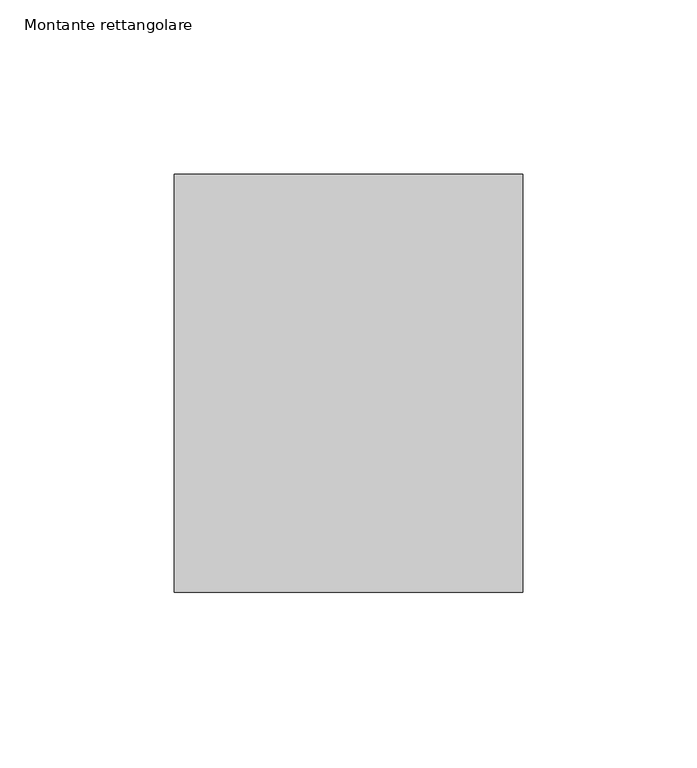
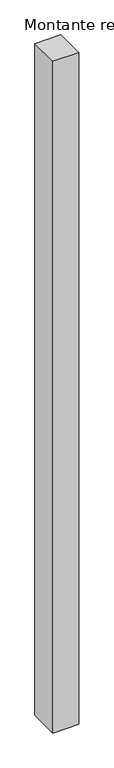
"""IFC4 building model written with IfcOpenShell, lengths in millimetres: member geometry, Montante rettangolare."""

import ifcopenshell
import ifcopenshell.guid

model = None  # the IFC model being written
_history = None  # IfcOwnerHistory: only IFC2X3 demands one
_inside = {}  # id of a spatial element -> (the spatial element, [elements in it])
_under = {}  # id of a project, library or spatial element -> (it, [spatial elements below it])
_declared = {}  # id of a project -> (the project, [libraries it declares])
_typed = {}  # id of a type object -> (the type object, [elements of that type])
_made_of = {}  # id of a material, layer set ... -> (it, [elements and type objects made of it])


def new_model(schema):
    """Start an empty IFC model of exactly this schema.

    Asked for "IFC4X3", IfcOpenShell would pick the latest addendum, in which some entities
    have other attributes; the version numbers below select the first issue.
    IFC2X3 requires an IfcOwnerHistory on every rooted entity: one is made here for all.
    """
    global model, _history
    if schema == "IFC4X3":
        model = ifcopenshell.file(schema_version=(4, 3, 0, 0))
    else:
        model = ifcopenshell.file(schema=schema)
    _inside.clear()
    _under.clear()
    _declared.clear()
    _typed.clear()
    _made_of.clear()
    _history = None
    if model.schema == "IFC2X3":
        org = make("IfcOrganization", Name="unknown")
        user = make(
            "IfcPersonAndOrganization",
            ThePerson=make("IfcPerson", FamilyName="unknown"),
            TheOrganization=org,
        )
        app = make(
            "IfcApplication",
            ApplicationDeveloper=org,
            Version="unknown",
            ApplicationFullName="unknown",
            ApplicationIdentifier="unknown",
        )
        _history = make(
            "IfcOwnerHistory",
            OwningUser=user,
            OwningApplication=app,
            ChangeAction="ADDED",
            CreationDate=0,
        )
    return model


def make(cls, **values):
    """One entity of the class cls with the attributes given. An attribute that is None is left unset."""
    return model.create_entity(
        cls, **{name: value for name, value in values.items() if value is not None}
    )


def rooted(cls, **values):
    """An entity with a GlobalId (a new one), such as an element, a storey or a relation."""
    return make(cls, GlobalId=ifcopenshell.guid.new(), OwnerHistory=_history, **values)


def si_unit(unit_type, name, prefix=None):
    """IfcSIUnit, for example si_unit("LENGTHUNIT", "METRE", prefix="MILLI")."""
    return make("IfcSIUnit", UnitType=unit_type, Prefix=prefix, Name=name)


def assignment(units):
    """IfcUnitAssignment: the units of a project."""
    return None if units is None else make("IfcUnitAssignment", Units=units)


def point(xyz):
    """IfcCartesianPoint."""
    return None if xyz is None else make("IfcCartesianPoint", Coordinates=xyz)


def direction(xyz):
    """IfcDirection."""
    return None if xyz is None else make("IfcDirection", DirectionRatios=xyz)


def frame(location, z_axis=None, x_axis=None):
    """IfcAxis2Placement3D, a coordinate frame: its origin and axes. An axis left out is left unset."""
    return make(
        "IfcAxis2Placement3D",
        Location=point(location),
        Axis=direction(z_axis),
        RefDirection=direction(x_axis),
    )


def origin():
    """The frame at (0, 0, 0) with its axes left unset."""
    return frame((0.0, 0.0, 0.0))


def place(relative_to, where):
    """IfcLocalPlacement: puts the frame where relative to a parent placement (None: the world)."""
    return make(
        "IfcLocalPlacement", PlacementRelTo=relative_to, RelativePlacement=where
    )


def context(
    kind, dimensions, precision=None, world=None, true_north=None, identifier=None
):
    """IfcGeometricRepresentationContext, for example the 3D "Model" context."""
    return make(
        "IfcGeometricRepresentationContext",
        ContextIdentifier=identifier,
        ContextType=kind,
        CoordinateSpaceDimension=dimensions,
        Precision=precision,
        WorldCoordinateSystem=world,
        TrueNorth=true_north,
    )


def project(units=None, contexts=None):
    """IfcProject with its units and contexts."""
    return rooted(
        "IfcProject",
        Name="project",
        RepresentationContexts=contexts,
        UnitsInContext=assignment(units),
    )


def spatial(cls, under=None, at=None, **own):
    """A site, building, storey or space (cls), placed at a placement, below another one or the project."""
    s = rooted(cls, ObjectPlacement=at, **own)
    if under is not None:
        _under.setdefault(under.id(), (under, []))[1].append(s)
    return s


def polyline(points):
    """IfcPolyline through the points."""
    return make("IfcPolyline", Points=[point(p) for p in points])


def outline(outer, holes=None, kind="AREA"):
    """IfcArbitraryClosedProfileDef: a profile drawn as a closed curve; with holes, ...WithVoids."""
    if holes is None:
        return make("IfcArbitraryClosedProfileDef", ProfileType=kind, OuterCurve=outer)
    return make(
        "IfcArbitraryProfileDefWithVoids",
        ProfileType=kind,
        OuterCurve=outer,
        InnerCurves=holes,
    )


def extrude(swept, where, along, depth):
    """IfcExtrudedAreaSolid: the profile swept, set in the frame where, extruded along a direction by depth."""
    return make(
        "IfcExtrudedAreaSolid",
        SweptArea=swept,
        Position=where,
        ExtrudedDirection=direction(along),
        Depth=depth,
    )


def shape(context_of_items, identifier, shape_type, items):
    """IfcShapeRepresentation: the items that make up one representation, for example the "Body"."""
    return make(
        "IfcShapeRepresentation",
        ContextOfItems=context_of_items,
        RepresentationIdentifier=identifier,
        RepresentationType=shape_type,
        Items=items,
    )


def source(mapping_origin, context_of_items, identifier, shape_type, items):
    """IfcRepresentationMap: a shape defined once, which mapped items show again and again."""
    return make(
        "IfcRepresentationMap",
        MappingOrigin=mapping_origin,
        MappedRepresentation=shape(context_of_items, identifier, shape_type, items),
    )


def transform(
    local_origin,
    x_axis=None,
    y_axis=None,
    z_axis=None,
    scale=None,
    scale2=None,
    scale3=None,
    uniform=True,
):
    """IfcCartesianTransformationOperator3D, or its non-uniform kind. x_axis, y_axis, z_axis: its Axis1, 2, 3."""
    if uniform:
        return make(
            "IfcCartesianTransformationOperator3D",
            Axis1=direction(x_axis),
            Axis2=direction(y_axis),
            LocalOrigin=point(local_origin),
            Scale=scale,
            Axis3=direction(z_axis),
        )
    return make(
        "IfcCartesianTransformationOperator3DnonUniform",
        Axis1=direction(x_axis),
        Axis2=direction(y_axis),
        LocalOrigin=point(local_origin),
        Scale=scale,
        Axis3=direction(z_axis),
        Scale2=scale2,
        Scale3=scale3,
    )


def mapped(mapping_source, mapping_target):
    """IfcMappedItem: shows the shape of a source again, moved by a transform."""
    return make(
        "IfcMappedItem", MappingSource=mapping_source, MappingTarget=mapping_target
    )


def made_of(thing, what):
    """Note that an element or type object is made of a material, layer set ...; save() writes the relation."""
    if what is not None:
        _made_of.setdefault(what.id(), (what, []))[1].append(thing)
    return thing


def element(
    cls,
    number,
    at=None,
    inside=None,
    cuts=None,
    type_object=None,
    material=None,
    context=None,
    identifier="Body",
    shape_type=None,
    held_by="IfcProductDefinitionShape",
    body=None,
    shapes=None,
    **own,
):
    """One element of the class cls, such as IfcWall. Its Tag is "e" and its number.

    at: its placement. inside: the storey or other place that contains it. cuts: it is an
    opening in that element (IfcRelVoidsElement). A single representation is given by context,
    identifier, shape_type and body (its items); several are given by shapes. held_by: the class
    of the entity that holds the representations. save() writes the other relations.
    """
    e = rooted(cls, Tag="e%d" % number, ObjectPlacement=at, **own)
    if body is not None:
        shapes = [shape(context, identifier, shape_type, body)]
    if shapes is not None:
        e.Representation = make(held_by, Representations=shapes)
    if inside is not None:
        _inside.setdefault(inside.id(), (inside, []))[1].append(e)
    if cuts is not None:
        rooted(
            "IfcRelVoidsElement", RelatingBuildingElement=cuts, RelatedOpeningElement=e
        )
    if type_object is not None:
        _typed.setdefault(type_object.id(), (type_object, []))[1].append(e)
    return made_of(e, material)


def aggregate(whole, parts):
    """IfcRelAggregates: a whole, such as a stair, and the parts it consists of."""
    return rooted("IfcRelAggregates", RelatingObject=whole, RelatedObjects=parts)


def save(model, path):
    """Write the relations noted so far, then the file.

    IfcRelAggregates (storeys below a building ...), IfcRelContainedInSpatialStructure (elements
    in a storey), IfcRelDefinesByType, IfcRelAssociatesMaterial and IfcRelDeclares: one each for
    every whole, place, type object, material and project.
    """
    for whole, parts in _under.values():
        aggregate(whole, parts)
    for where, things in _inside.values():
        rooted(
            "IfcRelContainedInSpatialStructure",
            RelatedElements=things,
            RelatingStructure=where,
        )
    for kind, things in _typed.values():
        rooted("IfcRelDefinesByType", RelatedObjects=things, RelatingType=kind)
    for what, things in _made_of.values():
        rooted("IfcRelAssociatesMaterial", RelatedObjects=things, RelatingMaterial=what)
    for by, libraries in _declared.values():
        rooted("IfcRelDeclares", RelatingContext=by, RelatedDefinitions=libraries)
    model.write(path)


def montante_rettangolare_a10a861d(model_context):
    return source(origin(), model_context, "Body", "SweptSolid", [
        extrude(outline(polyline([(0.0, 60.0), (0.0, -60.0), (-100.0, -60.0), (-100.0, 60.0), (0.0, 60.0)])), frame((0.0, 0.0, -2726.401609), z_axis=(0.0, 0.0, 1.0), x_axis=(1.0, 0.0, 0.0)), (0.0, 0.0, 1.0), 2726.401609),
    ])


if __name__ == "__main__":
    model = new_model("IFC4")
    model_context = context("Model", 3, world=origin())
    ifc_project = project(units=[si_unit("LENGTHUNIT", "METRE", prefix="MILLI")], contexts=[model_context])
    site = spatial("IfcSite", under=ifc_project)
    building = spatial("IfcBuilding", under=site)
    placement = place(None, origin())
    montante_rettangolare_shape = montante_rettangolare_a10a861d(model_context)
    element("IfcMember", 1, ObjectType="Montante rettangolare", at=placement, inside=building, context=model_context, shape_type="MappedRepresentation", body=[
        mapped(montante_rettangolare_shape, transform((0.0, 0.0, 0.0), x_axis=(1.0, 0.0, 0.0), y_axis=(0.0, 1.0, 0.0), z_axis=(0.0, 0.0, 1.0))),
    ])
    save(model, "model.ifc")
